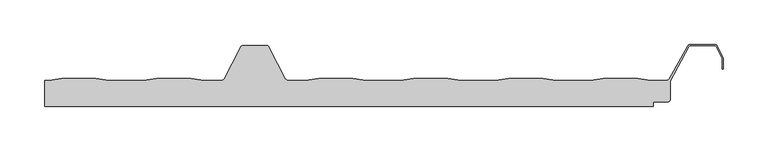
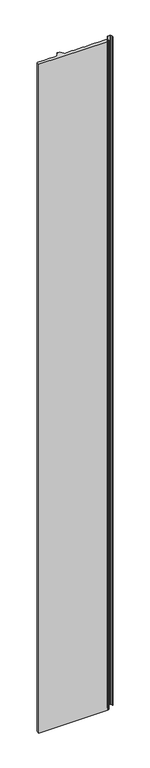
"""IFC4 building model written with IfcOpenShell, lengths in millimetres: proxy geometry."""

from ifc_helpers import new_model, si_unit, point, frame_2d, origin, origin_with_axes, place, context, project, spatial, polyline, circle_curve, trimmed, segment, composite_curve, outline, extrude, source, transform, mapped, element, save


def generic_models_c00bd01a(model_context):
    return source(origin(), model_context, "Body", "SweptSolid", [
        extrude(outline(composite_curve([segment(polyline([(269.5632135, 0.0), (284.4269301, 1.7979456), (322.5462294, 1.7979456), (337.409946, 0.0), (375.5632135, 0.0), (390.4269301, 1.7979456), (428.5462294, 1.7979456), (443.4267677, -0.0020348), (463.1449543, -0.0020348)]), True, "CONTINUOUS"), segment(trimmed(circle_curve(frame_2d((463.1449543, 2.9979652)), 3.0), [point((463.1449543, -0.0020348))], [point((465.8289057, 1.6576649))], True, "CARTESIAN"), True, "CONTINUOUS"), segment(polyline([(465.8289057, 1.6576649), (484.1712683, 37.3482459)]), True, "CONTINUOUS"), segment(trimmed(circle_curve(frame_2d((486.8552196, 36.0079456)), 3.0), [point((484.1712683, 37.3482459))], [point((486.8552196, 39.0079456))], False, "CARTESIAN"), True, "CONTINUOUS"), segment(polyline([(486.8552196, 39.0079456), (513.1449445, 39.0079456)]), True, "CONTINUOUS"), segment(trimmed(circle_curve(frame_2d((513.1449445, 36.0079456)), 3.0), [point((513.1449445, 39.0079456))], [point((515.8288959, 37.3482459))], False, "CARTESIAN"), True, "CONTINUOUS"), segment(polyline([(515.8288959, 37.3482459), (534.1528136, 1.6486489)]), True, "CONTINUOUS"), segment(trimmed(circle_curve(frame_2d((536.856405, 2.9878462)), 3.017094), [point((534.1528136, 1.6486489))], [point((536.4373213, 0.0))], True, "CARTESIAN"), True, "CONTINUOUS"), segment(polyline([(536.4373213, 0.0), (556.5902181, 0.0), (571.4539348, 1.7979456), (609.573234, 1.7979456), (624.4369507, 0.0), (662.5902181, 0.0), (677.4539348, 1.7979456), (715.573234, 1.7979456), (730.4369507, 0.0), (768.5902181, 0.0), (783.4539348, 1.7979456), (821.573234, 1.7979456), (836.4369507, 0.0), (874.5902181, 0.0), (889.4539348, 1.7979456), (927.573234, 1.7979456), (942.4369507, 0.0), (960.1809415, 0.0)]), True, "CONTINUOUS"), segment(trimmed(circle_curve(frame_2d((960.1809415, 3.0)), 3.0), [point((960.1809415, 0.0))], [point((962.8075869, 1.5506091))], True, "CARTESIAN"), True, "CONTINUOUS"), segment(polyline([(962.8075869, 1.5506091), (983.7108944, 38.44698)]), True, "CONTINUOUS"), segment(trimmed(circle_curve(frame_2d((986.3384217, 36.9991886)), 3.0), [point((983.7108944, 38.44698))], [point((986.3384217, 39.9991886))], False, "CARTESIAN"), True, "CONTINUOUS"), segment(polyline([(986.3384217, 39.9991886), (1013.6874272, 39.9991886)]), True, "CONTINUOUS"), segment(trimmed(circle_curve(frame_2d((1013.6874272, 36.9991886)), 3.0), [point((1013.6874272, 39.9991886))], [point((1016.3713786, 38.3394889))], False, "CARTESIAN"), True, "CONTINUOUS"), segment(polyline([(1016.3713786, 38.3394889), (1022.9005634, 25.2647963)]), True, "CONTINUOUS"), segment(trimmed(circle_curve(frame_2d((1020.2166121, 23.9244959)), 3.0), [point((1022.9005634, 25.2647963))], [point((1023.2166121, 23.9244959))], False, "CARTESIAN"), True, "CONTINUOUS"), segment(polyline([(1023.2166121, 23.9244959), (1023.2166121, 12.4550557), (1022.2166121, 12.4550557), (1022.2166121, 23.9244959)]), True, "CONTINUOUS"), segment(trimmed(circle_curve(frame_2d((1020.2166121, 23.9244959)), 2.0), [point((1022.2166121, 23.9244959))], [point((1022.005913, 24.8180295))], True, "CARTESIAN"), True, "CONTINUOUS"), segment(polyline([(1022.005913, 24.8180295), (1015.4767281, 37.8927222)]), True, "CONTINUOUS"), segment(trimmed(circle_curve(frame_2d((1013.6874272, 36.9991886)), 2.0), [point((1015.4767281, 37.8927222))], [point((1013.6874272, 38.9991886))], True, "CARTESIAN"), True, "CONTINUOUS"), segment(polyline([(1013.6874272, 38.9991886), (986.3557773, 38.9991886)]), True, "CONTINUOUS"), segment(trimmed(circle_curve(frame_2d((986.3557773, 36.9991886)), 2.0), [point((986.3557773, 38.9991886))], [point((984.5660869, 37.8919418))], True, "CARTESIAN"), True, "CONTINUOUS"), segment(polyline([(984.5660869, 37.8919418), (964.2351211, -0.7965502), (964.2351211, -21.1020544)]), True, "CONTINUOUS"), segment(trimmed(circle_curve(frame_2d((961.2351211, -21.1020544)), 3.0), [point((964.2351211, -21.1020544))], [point((961.2351211, -24.1020544))], False, "CARTESIAN"), True, "CONTINUOUS"), segment(polyline([(961.2351211, -24.1020544), (945.306253, -24.1020544), (945.306253, -29.1020544), (265.3803922, -29.1020544), (265.3803922, 0.0), (269.5632135, 0.0)]), True, "CONTINUOUS")], self_intersect=False)), origin_with_axes(), (0.0, 0.0, 1.0), 7000.0),
    ])


if __name__ == "__main__":
    model = new_model("IFC4")
    model_context = context("Model", 3, world=origin())
    ifc_project = project(units=[si_unit("LENGTHUNIT", "METRE", prefix="MILLI")], contexts=[model_context])
    site = spatial("IfcSite", under=ifc_project)
    building = spatial("IfcBuilding", under=site)
    placement = place(None, origin())
    generic_models_shape = generic_models_c00bd01a(model_context)
    element("IfcBuildingElementProxy", 1, Name="Generic Models", at=placement, inside=building, context=model_context, shape_type="MappedRepresentation", body=[
        mapped(generic_models_shape, transform((0.0, 0.0, 0.0), x_axis=(1.0, 0.0, 0.0), y_axis=(0.0, 1.0, 0.0), z_axis=(0.0, 0.0, 1.0))),
    ])
    save(model, "model.ifc")
